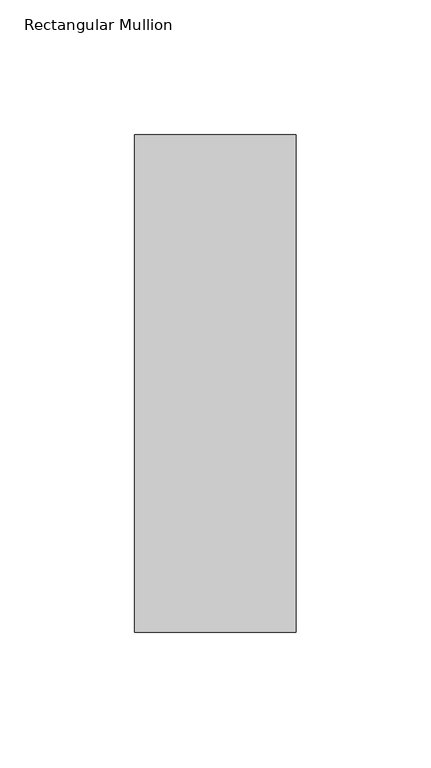
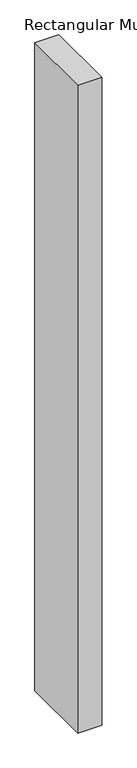
"""IFC4 building model written with IfcOpenShell, lengths in millimetres: member geometry, Rectangular Mullion."""

from ifc_helpers import new_model, si_unit, frame, origin, place, context, project, spatial, polyline, outline, extrude, source, transform, mapped, element, save


def rectangular_mullion_982284f4(model_context):
    return source(origin(), model_context, "Body", "SweptSolid", [
        extrude(outline(polyline([(30.0, 137.84375), (30.0, -46.84375), (-30.0, -46.84375), (-30.0, 137.84375), (30.0, 137.84375)])), frame((0.0, 0.0, -1708.8912252), z_axis=(0.0, 0.0, 1.0), x_axis=(1.0, 0.0, 0.0)), (0.0, 0.0, 1.0), 1708.8912252),
    ])


if __name__ == "__main__":
    model = new_model("IFC4")
    model_context = context("Model", 3, world=origin())
    ifc_project = project(units=[si_unit("LENGTHUNIT", "METRE", prefix="MILLI")], contexts=[model_context])
    site = spatial("IfcSite", under=ifc_project)
    building = spatial("IfcBuilding", under=site)
    placement = place(None, origin())
    rectangular_mullion_shape = rectangular_mullion_982284f4(model_context)
    element("IfcMember", 1, ObjectType="Rectangular Mullion", at=placement, inside=building, context=model_context, shape_type="MappedRepresentation", body=[
        mapped(rectangular_mullion_shape, transform((0.0, 0.0, 0.0), x_axis=(1.0, 0.0, 0.0), y_axis=(0.0, 1.0, 0.0), z_axis=(0.0, 0.0, 1.0))),
    ])
    save(model, "model.ifc")
